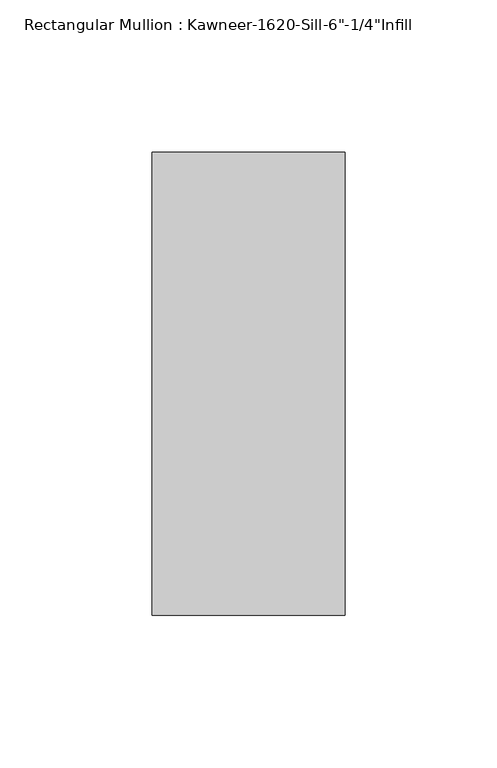
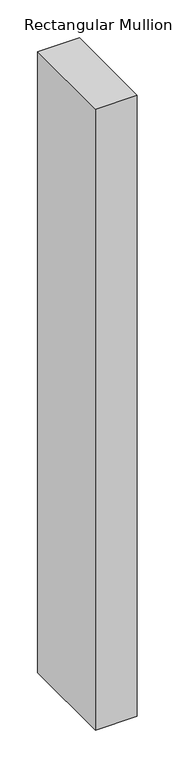
"""IFC4 building model written with IfcOpenShell, lengths in millimetres: member geometry."""

from ifc_helpers import new_model, si_unit, frame, origin, place, context, project, spatial, polyline, outline, extrude, source, transform, mapped, element, save


def member_7833a833(model_context):
    return source(origin(), model_context, "Body", "SweptSolid", [
        extrude(outline(polyline([(-63.5, 28.575), (0.0, 28.575), (0.0, -123.825), (-63.5, -123.825), (-63.5, 28.575)])), frame((0.0, 0.0, -1000.8019209), z_axis=(0.0, 0.0, 1.0), x_axis=(1.0, 0.0, 0.0)), (0.0, 0.0, 1.0), 1000.8019209),
    ])


if __name__ == "__main__":
    model = new_model("IFC4")
    model_context = context("Model", 3, world=origin())
    ifc_project = project(units=[si_unit("LENGTHUNIT", "METRE", prefix="MILLI")], contexts=[model_context])
    site = spatial("IfcSite", under=ifc_project)
    building = spatial("IfcBuilding", under=site)
    placement = place(None, origin())
    member_shape = member_7833a833(model_context)
    element("IfcMember", 1, ObjectType="Rectangular Mullion : Kawneer-1620-Sill-6\"-1/4\"Infill", at=placement, inside=building, context=model_context, shape_type="MappedRepresentation", body=[
        mapped(member_shape, transform((0.0, 0.0, 0.0), x_axis=(1.0, 0.0, 0.0), y_axis=(0.0, 1.0, 0.0), z_axis=(0.0, 0.0, 1.0))),
    ])
    save(model, "model.ifc")
